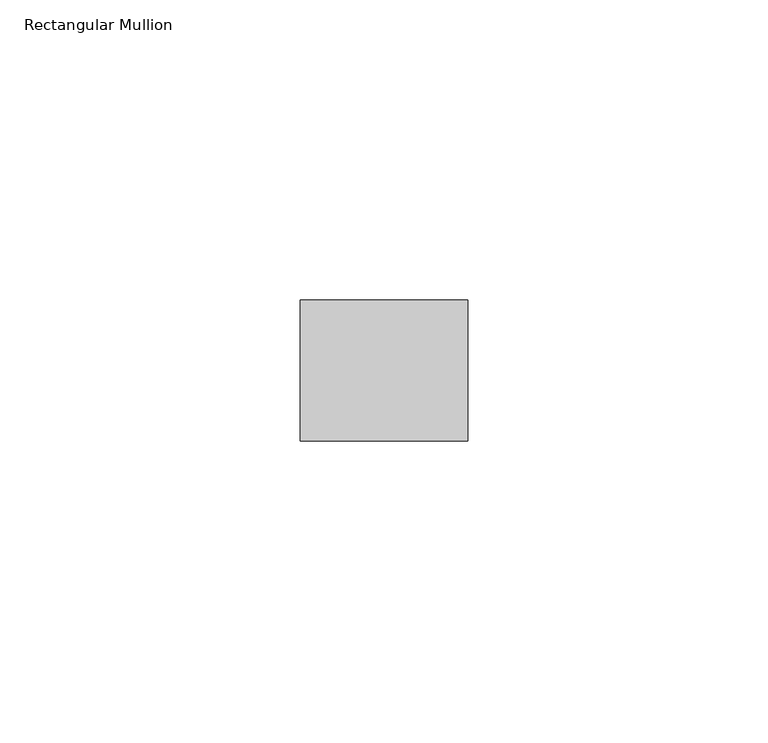
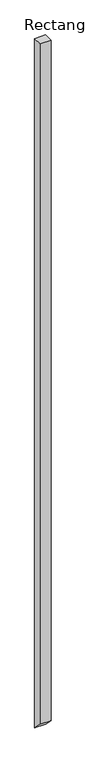
"""IFC4 building model written with IfcOpenShell, lengths in millimetres: member geometry, Rectangular Mullion."""

from ifc_helpers import new_model, si_unit, frame, origin, place, context, project, spatial, polyline, outline, extrude, source, transform, mapped, element, save


def rectangular_mullion_a6c51cbd(model_context):
    return source(origin(), model_context, "Body", "SweptSolid", [
        extrude(outline(polyline([(-11.7474999, 0.0), (11.7474999, 0.0), (11.7474999, -1853.2474999), (-11.7474999, -1829.7525001), (-11.7474999, 0.0)])), frame((-27.94, 0.0, 0.0), z_axis=(1.0, 0.0, 0.0), x_axis=(0.0, 1.0, 0.0)), (0.0, 0.0, 1.0), 27.94),
    ])


if __name__ == "__main__":
    model = new_model("IFC4")
    model_context = context("Model", 3, world=origin())
    ifc_project = project(units=[si_unit("LENGTHUNIT", "METRE", prefix="MILLI")], contexts=[model_context])
    site = spatial("IfcSite", under=ifc_project)
    building = spatial("IfcBuilding", under=site)
    placement = place(None, origin())
    rectangular_mullion_shape = rectangular_mullion_a6c51cbd(model_context)
    element("IfcMember", 1, ObjectType="Rectangular Mullion", at=placement, inside=building, context=model_context, shape_type="MappedRepresentation", body=[
        mapped(rectangular_mullion_shape, transform((0.0, 0.0, 0.0), x_axis=(1.0, 0.0, 0.0), y_axis=(0.0, 1.0, 0.0), z_axis=(0.0, 0.0, 1.0))),
    ])
    save(model, "model.ifc")
